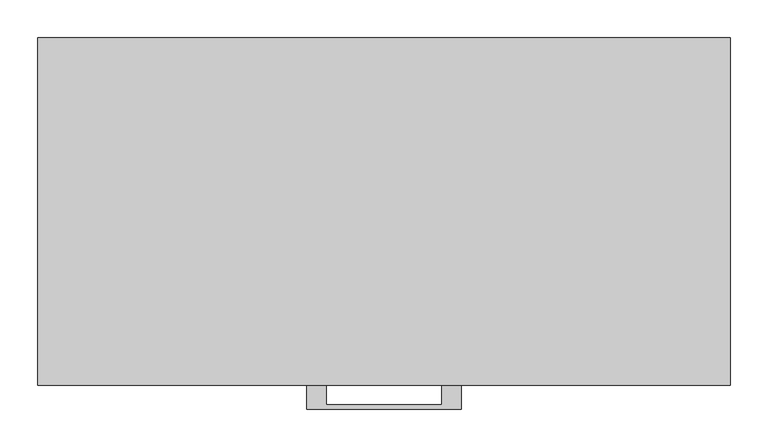
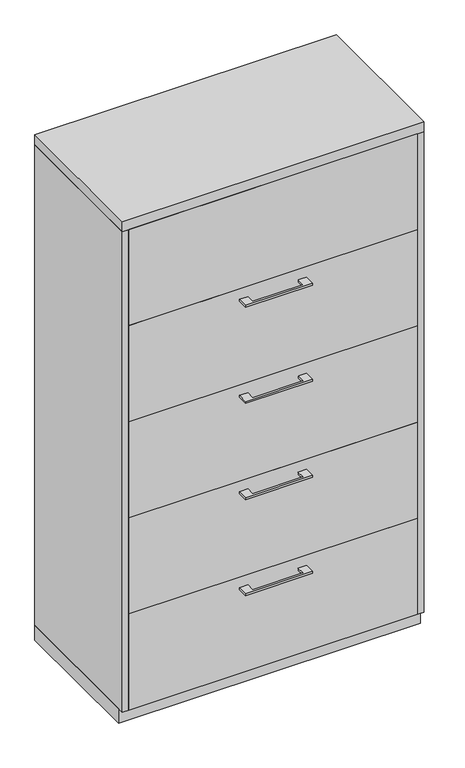
"""IFC4 building model written with IfcOpenShell, lengths in millimetres: furniture geometry."""

from ifc_helpers import new_model, si_unit, frame, origin, origin_with_axes, place, context, project, spatial, polyline, outline, extrude, source, transform, mapped, element, save


def furniture_c477a240(model_context):
    return source(origin(), model_context, "Body", "SweptSolid", [
        extrude(outline(polyline([(-76.1999818, -457.2), (-76.1999818, -482.5999758), (76.2, -482.5999758), (76.2, -457.2), (101.5999939, -457.2), (101.5999939, -488.9499879), (-101.5999939, -488.9499879), (-101.5999939, -457.2), (-76.1999818, -457.2)])), frame((0.0, 0.0, 1234.7575506), z_axis=(0.0, 0.0, 1.0), x_axis=(1.0, 0.0, 0.0)), (0.0, 0.0, 1.0), 6.3499758),
        extrude(outline(polyline([(436.5625, -438.15), (436.5625, -457.2), (-436.5625, -457.2), (-436.5625, -438.15), (436.5625, -438.15)])), frame((0.0, 0.0, 967.74), z_axis=(0.0, 0.0, 1.0), x_axis=(1.0, 0.0, 0.0)), (0.0, 0.0, 1.0), 306.705),
        extrude(outline(polyline([(-76.1999818, -457.2), (-76.1999818, -482.5999758), (76.2, -482.5999758), (76.2, -457.2), (101.5999939, -457.2), (101.5999939, -488.9499879), (-101.5999939, -488.9499879), (-101.5999939, -457.2), (-76.1999818, -457.2)])), frame((0.0, 0.0, 928.0525506), z_axis=(0.0, 0.0, 1.0), x_axis=(1.0, 0.0, 0.0)), (0.0, 0.0, 1.0), 6.3499758),
        extrude(outline(polyline([(436.5625, -438.15), (436.5625, -457.2), (-436.5625, -457.2), (-436.5625, -438.15), (436.5625, -438.15)])), frame((0.0, 0.0, 661.035), z_axis=(0.0, 0.0, 1.0), x_axis=(1.0, 0.0, 0.0)), (0.0, 0.0, 1.0), 306.705),
        extrude(outline(polyline([(436.5625, -438.15), (436.5625, -457.2), (-436.5625, -457.2), (-436.5625, -438.15), (436.5625, -438.15)])), frame((0.0, 0.0, 1274.445), z_axis=(0.0, 0.0, 1.0), x_axis=(1.0, 0.0, 0.0)), (0.0, 0.0, 1.0), 306.705),
        extrude(outline(polyline([(-76.1999818, -457.2), (-76.1999818, -482.5999758), (76.2, -482.5999758), (76.2, -457.2), (101.5999939, -457.2), (101.5999939, -488.9499879), (-101.5999939, -488.9499879), (-101.5999939, -457.2), (-76.1999818, -457.2)])), frame((0.0, 0.0, 621.3475506), z_axis=(0.0, 0.0, 1.0), x_axis=(1.0, 0.0, 0.0)), (0.0, 0.0, 1.0), 6.3499758),
        extrude(outline(polyline([(436.5625, -438.15), (436.5625, -457.2), (-436.5625, -457.2), (-436.5625, -438.15), (436.5625, -438.15)])), frame((0.0, 0.0, 354.33), z_axis=(0.0, 0.0, 1.0), x_axis=(1.0, 0.0, 0.0)), (0.0, 0.0, 1.0), 306.705),
        extrude(outline(polyline([(-76.1999818, -457.2), (-76.1999818, -482.5999758), (76.2, -482.5999758), (76.2, -457.2), (101.5999939, -457.2), (101.5999939, -488.9499879), (-101.5999939, -488.9499879), (-101.5999939, -457.2), (-76.1999818, -457.2)])), frame((0.0, 0.0, 314.6425506), z_axis=(0.0, 0.0, 1.0), x_axis=(1.0, 0.0, 0.0)), (0.0, 0.0, 1.0), 6.3499758),
        extrude(outline(polyline([(436.5625, -438.15), (436.5625, -457.2), (-436.5625, -457.2), (-436.5625, -438.15), (436.5625, -438.15)])), frame((0.0, 0.0, 47.625), z_axis=(0.0, 0.0, 1.0), x_axis=(1.0, 0.0, 0.0)), (0.0, 0.0, 1.0), 306.705),
        extrude(outline(polyline([(455.6125, 0.0), (455.6125, -438.15), (-455.6125, -438.15), (-455.6125, 0.0), (455.6125, 0.0)])), origin_with_axes(), (0.0, 0.0, 1.0), 47.625),
        extrude(outline(polyline([(455.6125, 0.0), (455.6125, -457.2), (-455.6125, -457.2), (-455.6125, 0.0), (455.6125, 0.0)])), frame((0.0, 0.0, 1581.15), z_axis=(0.0, 0.0, 1.0), x_axis=(1.0, 0.0, 0.0)), (0.0, 0.0, 1.0), 31.75),
        extrude(outline(polyline([(455.6125, 0.0), (455.6125, -457.2), (436.5625, -457.2), (436.5625, -19.05), (-436.5625, -19.05), (-436.5625, -457.2), (-455.6125, -457.2), (-455.6125, 0.0), (455.6125, 0.0)])), frame((0.0, 0.0, 47.625), z_axis=(0.0, 0.0, 1.0), x_axis=(1.0, 0.0, 0.0)), (0.0, 0.0, 1.0), 1533.525),
    ])


if __name__ == "__main__":
    model = new_model("IFC4")
    model_context = context("Model", 3, world=origin())
    ifc_project = project(units=[si_unit("LENGTHUNIT", "METRE", prefix="MILLI")], contexts=[model_context])
    site = spatial("IfcSite", under=ifc_project)
    building = spatial("IfcBuilding", under=site)
    placement = place(None, origin())
    furniture_shape = furniture_c477a240(model_context)
    element("IfcFurniture", 1, at=placement, inside=building, context=model_context, shape_type="MappedRepresentation", body=[
        mapped(furniture_shape, transform((0.0, 0.0, 0.0), x_axis=(1.0, 0.0, 0.0), y_axis=(0.0, 1.0, 0.0), z_axis=(0.0, 0.0, 1.0))),
    ])
    save(model, "model.ifc")
